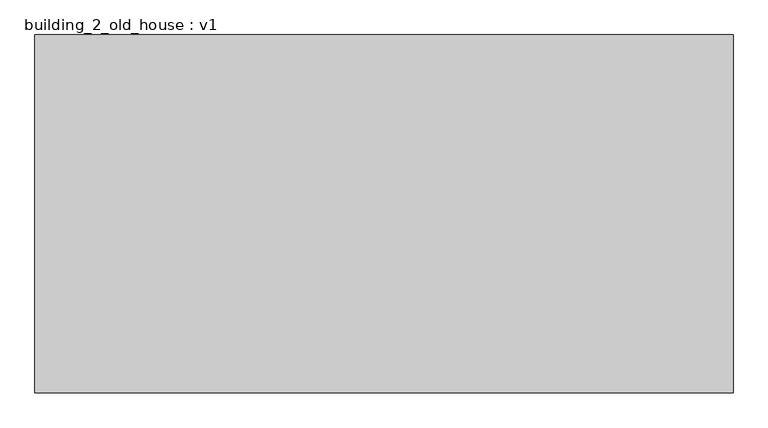
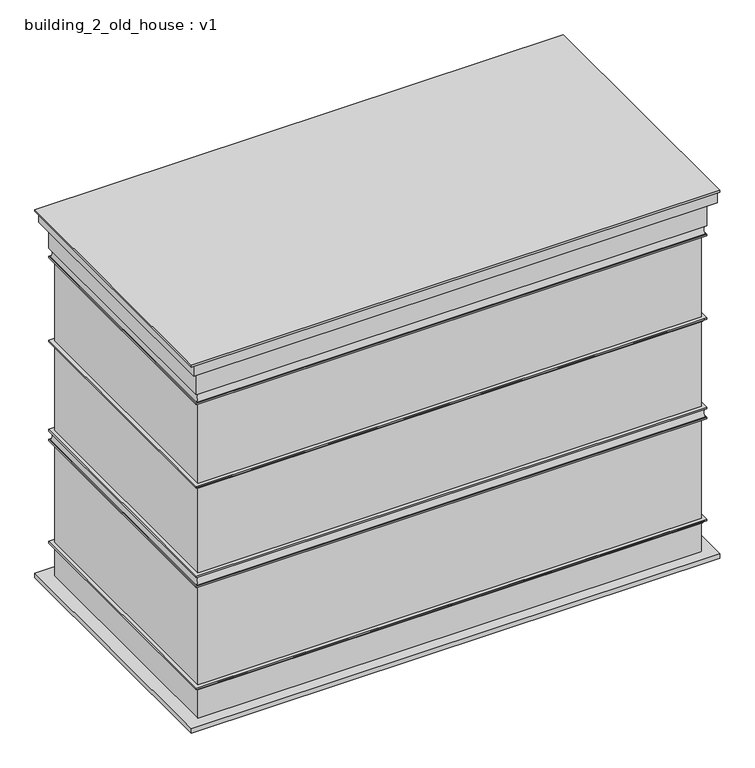
"""IFC4 building model written with IfcOpenShell, lengths in millimetres: proxy geometry, building_2_old_house : v1."""

from ifc_helpers import new_model, si_unit, frame, origin, origin_with_axes, place, context, project, spatial, polyline, ellipse_curve, outline, extrude, source, transform, mapped, element, save
from ifc_brep_helpers import plane_surface, revolved_surface, advanced_brep


def building_2_old_house_v1_a59e40e3(model_context):
    return source(origin(), model_context, "Body", "SolidModel", [
        extrude(outline(polyline([(8185.734127, -4193.7199186), (-8200.0, -4193.7199186), (-8200.0, 4214.0883005), (8185.734127, 4214.0883005), (8185.734127, -4193.7199186)])), frame((0.0, 0.0, 12000.0), z_axis=(0.0, 0.0, 1.0), x_axis=(1.0, 0.0, 0.0)), (0.0, 0.0, 1.0), 51.4146727),
        extrude(outline(polyline([(7800.0, 3850.0), (7800.0, -3850.0), (-7800.0, -3850.0), (-7800.0, 3850.0), (7800.0, 3850.0)])), frame((0.0, 0.0, 136.0058722), z_axis=(0.0, 0.0, 1.0), x_axis=(1.0, 0.0, 0.0)), (0.0, 0.0, 1.0), 11863.9941278),
        advanced_brep(
        [(7800.0, -3850.0, 1097.7785592), (7800.0, -3850.0, 1233.7844314), (7800.0, 3850.0, 1233.7844314), (7800.0, 3850.0, 1097.7785592), (7915.0, -3965.0, 1182.7785592), (7830.0, -3880.0, 1097.7785592), (7830.0, 3880.0, 1097.7785592), (7915.0, 3965.0, 1182.7785592), (7915.0, -3965.0, 1233.7844314), (7915.0, 3965.0, 1233.7844314), (-7800.0, 3850.0, 1233.7844314), (-7800.0, 3850.0, 1097.7785592), (-7830.0, 3880.0, 1097.7785592), (-7915.0, 3965.0, 1182.7785592), (-7915.0, 3965.0, 1233.7844314), (-7800.0, -3850.0, 1233.7844314), (-7800.0, -3850.0, 1097.7785592), (-7830.0, -3880.0, 1097.7785592), (-7915.0, -3965.0, 1182.7785592), (-7915.0, -3965.0, 1233.7844314)],
        [
            (0, 1),
            (1, 2),
            (2, 3),
            (3, 0),
            (4, 5, ellipse_curve(frame((7915.0, -3965.0, 1097.7785592), z_axis=(-0.7071067811865495, -0.7071067811865456, 0.0), x_axis=(-0.7071067811865455, 0.7071067811865495, 0.0)), 120.2081528, 85.0)),
            (5, 6),
            (6, 7, ellipse_curve(frame((7915.0, 3965.0, 1097.7785592), z_axis=(-0.7071067811865456, 0.7071067811865496, 0.0), x_axis=(0.7071067811865497, 0.7071067811865455, 0.0)), 120.2081528, 85.0)),
            (7, 4),
            (8, 4),
            (7, 9),
            (9, 8),
            (2, 10),
            (10, 11),
            (11, 3),
            (6, 12),
            (12, 13, ellipse_curve(frame((-7915.0, 3965.0, 1097.7785592), z_axis=(-0.7071067811865496, -0.7071067811865456, 0.0), x_axis=(-0.7071067811865454, 0.7071067811865497, 0.0)), 120.2081528, 85.0)),
            (13, 7),
            (13, 14),
            (14, 9),
            (10, 15),
            (15, 16),
            (16, 11),
            (12, 17),
            (17, 18, ellipse_curve(frame((-7915.0, -3965.0, 1097.7785592), z_axis=(0.7071067811865455, -0.7071067811865496, 0.0), x_axis=(-0.7071067811865495, -0.7071067811865456, 0.0)), 120.2081528, 85.0)),
            (18, 13),
            (18, 19),
            (19, 14),
            (15, 1),
            (0, 16),
            (5, 17),
            (4, 18),
            (8, 19),
        ],
        [
            plane_surface(frame((7800.0, -3850.0, 1233.7844314), z_axis=(-1.0, 0.0, 0.0), x_axis=(0.0, 1.0, 0.0))),
            revolved_surface(polyline([(7830.0, 4049.9999999987886, 1097.7785592), (7830.0, -4049.999999998789, 1097.7785592)]), (7915.0, -3850.0, 1097.7785592), (0.0, 1.0, 0.0)),
            plane_surface(frame((7915.0, -3965.0, 1182.7785592), z_axis=(1.0, 0.0, 0.0), x_axis=(0.0, 1.0, 0.0))),
            plane_surface(frame((7800.0, 3850.0, 1233.7844314), z_axis=(0.0, -1.0, 0.0), x_axis=(-1.0, 0.0, 0.0))),
            revolved_surface(polyline([(-7999.999999998789, 3880.0, 1097.7785592), (7999.999999998789, 3880.0, 1097.7785592)]), (7800.0, 3965.0, 1097.7785592), (-1.0, 0.0, 0.0)),
            plane_surface(frame((7915.0, 3965.0, 1182.7785592), z_axis=(0.0, 1.0, 0.0), x_axis=(-1.0, 0.0, 0.0))),
            plane_surface(frame((-7800.0, 3850.0, 1233.7844314), z_axis=(1.0, 0.0, 0.0), x_axis=(0.0, -1.0, 0.0))),
            revolved_surface(polyline([(-7830.0, -4049.9999999987886, 1097.7785592), (-7830.0, 4049.999999998789, 1097.7785592)]), (-7915.0, 3850.0, 1097.7785592), (0.0, -1.0, 0.0)),
            plane_surface(frame((-7915.0, 3965.0, 1182.7785592), z_axis=(-1.0, 0.0, 0.0), x_axis=(0.0, -1.0, 0.0))),
            plane_surface(frame((-7800.0, -3850.0, 1233.7844314), z_axis=(0.0, 1.0, 0.0), x_axis=(1.0, 0.0, 0.0))),
            plane_surface(frame((-7800.0, -3850.0, 1097.7785592), z_axis=(0.0, 0.0, -1.0), x_axis=(1.0, 0.0, 0.0))),
            revolved_surface(polyline([(7999.999999998789, -3880.0, 1097.7785592), (-7999.999999998789, -3880.0, 1097.7785592)]), (-7800.0, -3965.0, 1097.7785592), (1.0, 0.0, 0.0)),
            plane_surface(frame((-7915.0, -3965.0, 1182.7785592), z_axis=(0.0, -1.0, 0.0), x_axis=(1.0, 0.0, 0.0))),
            plane_surface(frame((-7915.0, -3965.0, 1233.7844314), z_axis=(0.0, 0.0, 1.0), x_axis=(1.0, 0.0, 0.0))),
        ],
        [
            (0, [[1, 2, 3, 4]]),
            (1, [[5, 6, 7, 8]]),
            (2, [[9, -8, 10, 11]]),
            (3, [[-3, 12, 13, 14]]),
            (4, [[-7, 15, 16, 17]]),
            (5, [[-10, -17, 18, 19]]),
            (6, [[-13, 20, 21, 22]]),
            (7, [[-16, 23, 24, 25]]),
            (8, [[-18, -25, 26, 27]]),
            (9, [[-21, 28, -1, 29]]),
            (10, [[30, -23, -15, -6], [-14, -22, -29, -4]]),
            (11, [[-24, -30, -5, 31]]),
            (12, [[-26, -31, -9, 32]]),
            (13, [[-19, -27, -32, -11], [-28, -20, -12, -2]]),
        ],
    ),
        advanced_brep(
        [(7800.0, -3850.0, 10526.9314508), (7800.0, -3850.0, 12000.0), (7800.0, 3850.0, 12000.0), (7800.0, 3850.0, 10526.9314508), (7915.0, -3965.0, 11650.9255786), (7915.0, -3965.0, 10850.9255786), (7915.0, 3965.0, 10850.9255786), (7915.0, 3965.0, 11650.9255786), (-7800.0, 3850.0, 12000.0), (-7800.0, 3850.0, 10526.9314508), (-7915.0, 3965.0, 10850.9255786), (-7915.0, 3965.0, 11650.9255786), (-7800.0, -3850.0, 12000.0), (-7800.0, -3850.0, 10526.9314508), (-7915.0, -3965.0, 10850.9255786), (-7915.0, -3965.0, 11650.9255786), (7915.0, -3965.0, 10577.937323), (7915.0, -3965.0, 10526.9314508), (7915.0, 3965.0, 10526.9314508), (7915.0, 3965.0, 10577.937323), (7880.0, -3930.0, 10850.9255786), (7880.0, -3930.0, 10577.937323), (7880.0, 3930.0, 10577.937323), (7880.0, 3930.0, 10850.9255786), (-7915.0, 3965.0, 10526.9314508), (-7915.0, 3965.0, 10577.937323), (-7880.0, 3930.0, 10577.937323), (-7880.0, 3930.0, 10850.9255786), (-7915.0, -3965.0, 10526.9314508), (-7915.0, -3965.0, 10577.937323), (-7880.0, -3930.0, 10577.937323), (-7880.0, -3930.0, 10850.9255786), (8115.0, -4165.0, 12000.0), (8115.0, -4165.0, 11650.9255786), (8115.0, 4165.0, 11650.9255786), (8115.0, 4165.0, 12000.0), (-8115.0, 4165.0, 11650.9255786), (-8115.0, 4165.0, 12000.0), (-8115.0, -4165.0, 11650.9255786), (-8115.0, -4165.0, 12000.0)],
        [
            (0, 1),
            (1, 2),
            (2, 3),
            (3, 0),
            (4, 5),
            (5, 6),
            (6, 7),
            (7, 4),
            (2, 8),
            (8, 9),
            (9, 3),
            (6, 10),
            (10, 11),
            (11, 7),
            (8, 12),
            (12, 13),
            (13, 9),
            (10, 14),
            (14, 15),
            (15, 11),
            (12, 1),
            (0, 13),
            (14, 5),
            (4, 15),
            (16, 17),
            (17, 18),
            (18, 19),
            (19, 16),
            (20, 21, ellipse_curve(frame((8159.9397383, -4209.9397383, 10714.4314508), z_axis=(-0.7071067811865495, -0.7071067811865456, 0.0), x_axis=(-0.7071067811865455, 0.7071067811865495, 0.0)), 440.4472818, 311.4432597)),
            (21, 22),
            (22, 23, ellipse_curve(frame((8159.9397383, 4209.9397383, 10714.4314508), z_axis=(-0.7071067811865456, 0.7071067811865496, 0.0), x_axis=(0.7071067811865497, 0.7071067811865455, 0.0)), 440.4472818, 311.4432597)),
            (23, 20),
            (18, 24),
            (24, 25),
            (25, 19),
            (22, 26),
            (26, 27, ellipse_curve(frame((-8159.9397383, 4209.9397383, 10714.4314508), z_axis=(-0.7071067811865496, -0.7071067811865456, 0.0), x_axis=(-0.7071067811865454, 0.7071067811865497, 0.0)), 440.4472818, 311.4432597)),
            (27, 23),
            (24, 28),
            (28, 29),
            (29, 25),
            (26, 30),
            (30, 31, ellipse_curve(frame((-8159.9397383, -4209.9397383, 10714.4314508), z_axis=(0.7071067811865455, -0.7071067811865496, 0.0), x_axis=(-0.7071067811865495, -0.7071067811865456, 0.0)), 440.4472818, 311.4432597)),
            (31, 27),
            (17, 28),
            (16, 29),
            (21, 30),
            (20, 31),
            (32, 33),
            (33, 34),
            (34, 35),
            (35, 32),
            (34, 36),
            (36, 37),
            (37, 35),
            (36, 38),
            (38, 39),
            (39, 37),
            (33, 38),
            (32, 39),
        ],
        [
            plane_surface(frame((7800.0, -3850.0, 12000.0), z_axis=(-1.0, 0.0, 0.0), x_axis=(0.0, 1.0, 0.0))),
            plane_surface(frame((7915.0, -3965.0, 10850.9255786), z_axis=(1.0, 0.0, 0.0), x_axis=(0.0, 1.0, 0.0))),
            plane_surface(frame((7800.0, 3850.0, 12000.0), z_axis=(0.0, -1.0, 0.0), x_axis=(-1.0, 0.0, 0.0))),
            plane_surface(frame((7915.0, 3965.0, 10850.9255786), z_axis=(0.0, 1.0, 0.0), x_axis=(-1.0, 0.0, 0.0))),
            plane_surface(frame((-7800.0, 3850.0, 12000.0), z_axis=(1.0, 0.0, 0.0), x_axis=(0.0, -1.0, 0.0))),
            plane_surface(frame((-7915.0, 3965.0, 10850.9255786), z_axis=(-1.0, 0.0, 0.0), x_axis=(0.0, -1.0, 0.0))),
            plane_surface(frame((-7800.0, -3850.0, 12000.0), z_axis=(0.0, 1.0, 0.0), x_axis=(1.0, 0.0, 0.0))),
            plane_surface(frame((-7915.0, -3965.0, 10850.9255786), z_axis=(0.0, -1.0, 0.0), x_axis=(1.0, 0.0, 0.0))),
            plane_surface(frame((7915.0, -3965.0, 10526.9314508), z_axis=(1.0, 0.0, 0.0), x_axis=(0.0, 1.0, 0.0))),
            revolved_surface(polyline([(7848.4964786, 4521.382998015961, 10714.4314508), (7848.4964786, -4521.382998015963, 10714.4314508)]), (8159.9397383, -3850.0, 10714.4314508), (0.0, 1.0, 0.0)),
            plane_surface(frame((7915.0, 3965.0, 10526.9314508), z_axis=(0.0, 1.0, 0.0), x_axis=(-1.0, 0.0, 0.0))),
            revolved_surface(polyline([(-8471.38299801596, 3898.4964785999996, 10714.4314508), (8471.382998015963, 3898.4964785999996, 10714.4314508)]), (7800.0, 4209.9397383, 10714.4314508), (-1.0, 0.0, 0.0)),
            plane_surface(frame((-7915.0, 3965.0, 10526.9314508), z_axis=(-1.0, 0.0, 0.0), x_axis=(0.0, -1.0, 0.0))),
            revolved_surface(polyline([(-7848.4964786, -4521.382998015961, 10714.4314508), (-7848.4964786, 4521.382998015963, 10714.4314508)]), (-8159.9397383, 3850.0, 10714.4314508), (0.0, -1.0, 0.0)),
            plane_surface(frame((-7800.0, -3850.0, 10526.9314508), z_axis=(0.0, 0.0, -1.0), x_axis=(1.0, 0.0, 0.0))),
            plane_surface(frame((-7915.0, -3965.0, 10526.9314508), z_axis=(0.0, -1.0, 0.0), x_axis=(1.0, 0.0, 0.0))),
            plane_surface(frame((-7915.0, -3965.0, 10577.937323), z_axis=(0.0, 0.0, 1.0), x_axis=(1.0, 0.0, 0.0))),
            revolved_surface(polyline([(8471.38299801596, -3898.4964785999996, 10714.4314508), (-8471.382998015963, -3898.4964785999996, 10714.4314508)]), (-7800.0, -4209.9397383, 10714.4314508), (1.0, 0.0, 0.0)),
            plane_surface(frame((-7880.0, -3930.0, 10850.9255786), z_axis=(0.0, 0.0, -1.0), x_axis=(1.0, 0.0, 0.0))),
            plane_surface(frame((8115.0, -4165.0, 11650.9255786), z_axis=(1.0, 0.0, 0.0), x_axis=(0.0, 1.0, 0.0))),
            plane_surface(frame((8115.0, 4165.0, 11650.9255786), z_axis=(0.0, 1.0, 0.0), x_axis=(-1.0, 0.0, 0.0))),
            plane_surface(frame((-8115.0, 4165.0, 11650.9255786), z_axis=(-1.0, 0.0, 0.0), x_axis=(0.0, -1.0, 0.0))),
            plane_surface(frame((-7915.0, -3965.0, 11650.9255786), z_axis=(0.0, 0.0, -1.0), x_axis=(1.0, 0.0, 0.0))),
            plane_surface(frame((-8115.0, -4165.0, 11650.9255786), z_axis=(0.0, -1.0, 0.0), x_axis=(1.0, 0.0, 0.0))),
            plane_surface(frame((-8115.0, -4165.0, 12000.0), z_axis=(0.0, 0.0, 1.0), x_axis=(1.0, 0.0, 0.0))),
        ],
        [
            (0, [[1, 2, 3, 4]]),
            (1, [[5, 6, 7, 8]]),
            (2, [[-3, 9, 10, 11]]),
            (3, [[-7, 12, 13, 14]]),
            (4, [[-10, 15, 16, 17]]),
            (5, [[-13, 18, 19, 20]]),
            (6, [[-16, 21, -1, 22]]),
            (7, [[-19, 23, -5, 24]]),
            (8, [[25, 26, 27, 28]]),
            (9, [[29, 30, 31, 32]]),
            (10, [[-27, 33, 34, 35]]),
            (11, [[-31, 36, 37, 38]]),
            (12, [[-34, 39, 40, 41]]),
            (13, [[-37, 42, 43, 44]]),
            (14, [[45, -39, -33, -26], [-11, -17, -22, -4]]),
            (15, [[-40, -45, -25, 46]]),
            (16, [[-35, -41, -46, -28], [47, -42, -36, -30]]),
            (17, [[-43, -47, -29, 48]]),
            (18, [[-23, -18, -12, -6], [-38, -44, -48, -32]]),
            (19, [[49, 50, 51, 52]]),
            (20, [[-51, 53, 54, 55]]),
            (21, [[-54, 56, 57, 58]]),
            (22, [[59, -56, -53, -50], [-14, -20, -24, -8]]),
            (23, [[-57, -59, -49, 60]]),
            (24, [[-55, -58, -60, -52], [-21, -15, -9, -2]]),
        ],
    ),
        advanced_brep(
        [(7800.0, -3850.0, 4529.7875564), (7800.0, -3850.0, 4904.7875564), (7800.0, 3850.0, 4904.7875564), (7800.0, 3850.0, 4529.7875564), (7915.0, -3965.0, 4904.7875564), (7915.0, -3965.0, 4853.7816842), (7915.0, 3965.0, 4853.7816842), (7915.0, 3965.0, 4904.7875564), (-7800.0, 3850.0, 4904.7875564), (-7800.0, 3850.0, 4529.7875564), (-7915.0, 3965.0, 4853.7816842), (-7915.0, 3965.0, 4904.7875564), (-7800.0, -3850.0, 4904.7875564), (-7800.0, -3850.0, 4529.7875564), (-7915.0, -3965.0, 4853.7816842), (-7915.0, -3965.0, 4904.7875564), (7915.0, -3965.0, 4580.7934286), (7915.0, -3965.0, 4529.7875564), (7915.0, 3965.0, 4529.7875564), (7915.0, 3965.0, 4580.7934286), (7880.0, -3930.0, 4853.7816842), (7880.0, -3930.0, 4580.7934286), (7880.0, 3930.0, 4580.7934286), (7880.0, 3930.0, 4853.7816842), (-7915.0, 3965.0, 4529.7875564), (-7915.0, 3965.0, 4580.7934286), (-7880.0, 3930.0, 4580.7934286), (-7880.0, 3930.0, 4853.7816842), (-7915.0, -3965.0, 4529.7875564), (-7915.0, -3965.0, 4580.7934286), (-7880.0, -3930.0, 4580.7934286), (-7880.0, -3930.0, 4853.7816842)],
        [
            (0, 1),
            (1, 2),
            (2, 3),
            (3, 0),
            (4, 5),
            (5, 6),
            (6, 7),
            (7, 4),
            (2, 8),
            (8, 9),
            (9, 3),
            (6, 10),
            (10, 11),
            (11, 7),
            (8, 12),
            (12, 13),
            (13, 9),
            (10, 14),
            (14, 15),
            (15, 11),
            (12, 1),
            (0, 13),
            (14, 5),
            (4, 15),
            (16, 17),
            (17, 18),
            (18, 19),
            (19, 16),
            (20, 21, ellipse_curve(frame((8159.9397383, -4209.9397383, 4717.2875564), z_axis=(-0.7071067811865495, -0.7071067811865456, 0.0), x_axis=(-0.7071067811865455, 0.7071067811865495, 0.0)), 440.4472818, 311.4432597)),
            (21, 22),
            (22, 23, ellipse_curve(frame((8159.9397383, 4209.9397383, 4717.2875564), z_axis=(-0.7071067811865456, 0.7071067811865496, 0.0), x_axis=(0.7071067811865497, 0.7071067811865455, 0.0)), 440.4472818, 311.4432597)),
            (23, 20),
            (18, 24),
            (24, 25),
            (25, 19),
            (22, 26),
            (26, 27, ellipse_curve(frame((-8159.9397383, 4209.9397383, 4717.2875564), z_axis=(-0.7071067811865496, -0.7071067811865456, 0.0), x_axis=(-0.7071067811865454, 0.7071067811865497, 0.0)), 440.4472818, 311.4432597)),
            (27, 23),
            (24, 28),
            (28, 29),
            (29, 25),
            (26, 30),
            (30, 31, ellipse_curve(frame((-8159.9397383, -4209.9397383, 4717.2875564), z_axis=(0.7071067811865455, -0.7071067811865496, 0.0), x_axis=(-0.7071067811865495, -0.7071067811865456, 0.0)), 440.4472818, 311.4432597)),
            (31, 27),
            (17, 28),
            (16, 29),
            (21, 30),
            (20, 31),
        ],
        [
            plane_surface(frame((7800.0, -3850.0, 4904.7875564), z_axis=(-1.0, 0.0, 0.0), x_axis=(0.0, 1.0, 0.0))),
            plane_surface(frame((7915.0, -3965.0, 4853.7816842), z_axis=(1.0, 0.0, 0.0), x_axis=(0.0, 1.0, 0.0))),
            plane_surface(frame((7800.0, 3850.0, 4904.7875564), z_axis=(0.0, -1.0, 0.0), x_axis=(-1.0, 0.0, 0.0))),
            plane_surface(frame((7915.0, 3965.0, 4853.7816842), z_axis=(0.0, 1.0, 0.0), x_axis=(-1.0, 0.0, 0.0))),
            plane_surface(frame((-7800.0, 3850.0, 4904.7875564), z_axis=(1.0, 0.0, 0.0), x_axis=(0.0, -1.0, 0.0))),
            plane_surface(frame((-7915.0, 3965.0, 4853.7816842), z_axis=(-1.0, 0.0, 0.0), x_axis=(0.0, -1.0, 0.0))),
            plane_surface(frame((-7800.0, -3850.0, 4904.7875564), z_axis=(0.0, 1.0, 0.0), x_axis=(1.0, 0.0, 0.0))),
            plane_surface(frame((-7915.0, -3965.0, 4853.7816842), z_axis=(0.0, -1.0, 0.0), x_axis=(1.0, 0.0, 0.0))),
            plane_surface(frame((-7915.0, -3965.0, 4904.7875564), z_axis=(0.0, 0.0, 1.0), x_axis=(1.0, 0.0, 0.0))),
            plane_surface(frame((7915.0, -3965.0, 4529.7875564), z_axis=(1.0, 0.0, 0.0), x_axis=(0.0, 1.0, 0.0))),
            revolved_surface(polyline([(7848.4964786, 4521.382998015961, 4717.2875564), (7848.4964786, -4521.382998015963, 4717.2875564)]), (8159.9397383, -3850.0, 4717.2875564), (0.0, 1.0, 0.0)),
            plane_surface(frame((7915.0, 3965.0, 4529.7875564), z_axis=(0.0, 1.0, 0.0), x_axis=(-1.0, 0.0, 0.0))),
            revolved_surface(polyline([(-8471.38299801596, 3898.4964785999996, 4717.2875564), (8471.382998015963, 3898.4964785999996, 4717.2875564)]), (7800.0, 4209.9397383, 4717.2875564), (-1.0, 0.0, 0.0)),
            plane_surface(frame((-7915.0, 3965.0, 4529.7875564), z_axis=(-1.0, 0.0, 0.0), x_axis=(0.0, -1.0, 0.0))),
            revolved_surface(polyline([(-7848.4964786, -4521.382998015961, 4717.2875564), (-7848.4964786, 4521.382998015963, 4717.2875564)]), (-8159.9397383, 3850.0, 4717.2875564), (0.0, -1.0, 0.0)),
            plane_surface(frame((-7800.0, -3850.0, 4529.7875564), z_axis=(0.0, 0.0, -1.0), x_axis=(1.0, 0.0, 0.0))),
            plane_surface(frame((-7915.0, -3965.0, 4529.7875564), z_axis=(0.0, -1.0, 0.0), x_axis=(1.0, 0.0, 0.0))),
            plane_surface(frame((-7915.0, -3965.0, 4580.7934286), z_axis=(0.0, 0.0, 1.0), x_axis=(1.0, 0.0, 0.0))),
            revolved_surface(polyline([(8471.38299801596, -3898.4964785999996, 4717.2875564), (-8471.382998015963, -3898.4964785999996, 4717.2875564)]), (-7800.0, -4209.9397383, 4717.2875564), (1.0, 0.0, 0.0)),
            plane_surface(frame((-7880.0, -3930.0, 4853.7816842), z_axis=(0.0, 0.0, -1.0), x_axis=(1.0, 0.0, 0.0))),
        ],
        [
            (0, [[1, 2, 3, 4]]),
            (1, [[5, 6, 7, 8]]),
            (2, [[-3, 9, 10, 11]]),
            (3, [[-7, 12, 13, 14]]),
            (4, [[-10, 15, 16, 17]]),
            (5, [[-13, 18, 19, 20]]),
            (6, [[-16, 21, -1, 22]]),
            (7, [[-19, 23, -5, 24]]),
            (8, [[-14, -20, -24, -8], [-21, -15, -9, -2]]),
            (9, [[25, 26, 27, 28]]),
            (10, [[29, 30, 31, 32]]),
            (11, [[-27, 33, 34, 35]]),
            (12, [[-31, 36, 37, 38]]),
            (13, [[-34, 39, 40, 41]]),
            (14, [[-37, 42, 43, 44]]),
            (15, [[45, -39, -33, -26], [-11, -17, -22, -4]]),
            (16, [[-40, -45, -25, 46]]),
            (17, [[-35, -41, -46, -28], [47, -42, -36, -30]]),
            (18, [[-43, -47, -29, 48]]),
            (19, [[-23, -18, -12, -6], [-38, -44, -48, -32]]),
        ],
    ),
        advanced_brep(
        [(7800.0, -3850.0, 7700.0), (7800.0, -3850.0, 7836.0058722), (7800.0, 3850.0, 7836.0058722), (7800.0, 3850.0, 7700.0), (7915.0, -3965.0, 7785.0), (7830.0, -3880.0, 7700.0), (7830.0, 3880.0, 7700.0), (7915.0, 3965.0, 7785.0), (7915.0, -3965.0, 7836.0058722), (7915.0, 3965.0, 7836.0058722), (-7800.0, 3850.0, 7836.0058722), (-7800.0, 3850.0, 7700.0), (-7830.0, 3880.0, 7700.0), (-7915.0, 3965.0, 7785.0), (-7915.0, 3965.0, 7836.0058722), (-7800.0, -3850.0, 7836.0058722), (-7800.0, -3850.0, 7700.0), (-7830.0, -3880.0, 7700.0), (-7915.0, -3965.0, 7785.0), (-7915.0, -3965.0, 7836.0058722)],
        [
            (0, 1),
            (1, 2),
            (2, 3),
            (3, 0),
            (4, 5, ellipse_curve(frame((7915.0, -3965.0, 7700.0), z_axis=(-0.7071067811865495, -0.7071067811865456, 0.0), x_axis=(-0.7071067811865455, 0.7071067811865495, 0.0)), 120.2081528, 85.0)),
            (5, 6),
            (6, 7, ellipse_curve(frame((7915.0, 3965.0, 7700.0), z_axis=(-0.7071067811865456, 0.7071067811865496, 0.0), x_axis=(0.7071067811865497, 0.7071067811865455, 0.0)), 120.2081528, 85.0)),
            (7, 4),
            (8, 4),
            (7, 9),
            (9, 8),
            (2, 10),
            (10, 11),
            (11, 3),
            (6, 12),
            (12, 13, ellipse_curve(frame((-7915.0, 3965.0, 7700.0), z_axis=(-0.7071067811865496, -0.7071067811865456, 0.0), x_axis=(-0.7071067811865454, 0.7071067811865497, 0.0)), 120.2081528, 85.0)),
            (13, 7),
            (13, 14),
            (14, 9),
            (10, 15),
            (15, 16),
            (16, 11),
            (12, 17),
            (17, 18, ellipse_curve(frame((-7915.0, -3965.0, 7700.0), z_axis=(0.7071067811865455, -0.7071067811865496, 0.0), x_axis=(-0.7071067811865495, -0.7071067811865456, 0.0)), 120.2081528, 85.0)),
            (18, 13),
            (18, 19),
            (19, 14),
            (15, 1),
            (0, 16),
            (5, 17),
            (4, 18),
            (8, 19),
        ],
        [
            plane_surface(frame((7800.0, -3850.0, 7836.0058722), z_axis=(-1.0, 0.0, 0.0), x_axis=(0.0, 1.0, 0.0))),
            revolved_surface(polyline([(7830.0, 4049.9999999987886, 7700.0), (7830.0, -4049.999999998789, 7700.0)]), (7915.0, -3850.0, 7700.0), (0.0, 1.0, 0.0)),
            plane_surface(frame((7915.0, -3965.0, 7785.0), z_axis=(1.0, 0.0, 0.0), x_axis=(0.0, 1.0, 0.0))),
            plane_surface(frame((7800.0, 3850.0, 7836.0058722), z_axis=(0.0, -1.0, 0.0), x_axis=(-1.0, 0.0, 0.0))),
            revolved_surface(polyline([(-7999.999999998789, 3880.0, 7700.0), (7999.999999998789, 3880.0, 7700.0)]), (7800.0, 3965.0, 7700.0), (-1.0, 0.0, 0.0)),
            plane_surface(frame((7915.0, 3965.0, 7785.0), z_axis=(0.0, 1.0, 0.0), x_axis=(-1.0, 0.0, 0.0))),
            plane_surface(frame((-7800.0, 3850.0, 7836.0058722), z_axis=(1.0, 0.0, 0.0), x_axis=(0.0, -1.0, 0.0))),
            revolved_surface(polyline([(-7830.0, -4049.9999999987886, 7700.0), (-7830.0, 4049.999999998789, 7700.0)]), (-7915.0, 3850.0, 7700.0), (0.0, -1.0, 0.0)),
            plane_surface(frame((-7915.0, 3965.0, 7785.0), z_axis=(-1.0, 0.0, 0.0), x_axis=(0.0, -1.0, 0.0))),
            plane_surface(frame((-7800.0, -3850.0, 7836.0058722), z_axis=(0.0, 1.0, 0.0), x_axis=(1.0, 0.0, 0.0))),
            plane_surface(frame((-7800.0, -3850.0, 7700.0), z_axis=(0.0, 0.0, -1.0), x_axis=(1.0, 0.0, 0.0))),
            revolved_surface(polyline([(7999.999999998789, -3880.0, 7700.0), (-7999.999999998789, -3880.0, 7700.0)]), (-7800.0, -3965.0, 7700.0), (1.0, 0.0, 0.0)),
            plane_surface(frame((-7915.0, -3965.0, 7785.0), z_axis=(0.0, -1.0, 0.0), x_axis=(1.0, 0.0, 0.0))),
            plane_surface(frame((-7915.0, -3965.0, 7836.0058722), z_axis=(0.0, 0.0, 1.0), x_axis=(1.0, 0.0, 0.0))),
        ],
        [
            (0, [[1, 2, 3, 4]]),
            (1, [[5, 6, 7, 8]]),
            (2, [[9, -8, 10, 11]]),
            (3, [[-3, 12, 13, 14]]),
            (4, [[-7, 15, 16, 17]]),
            (5, [[-10, -17, 18, 19]]),
            (6, [[-13, 20, 21, 22]]),
            (7, [[-16, 23, 24, 25]]),
            (8, [[-18, -25, 26, 27]]),
            (9, [[-21, 28, -1, 29]]),
            (10, [[30, -23, -15, -6], [-14, -22, -29, -4]]),
            (11, [[-24, -30, -5, 31]]),
            (12, [[-26, -31, -9, 32]]),
            (13, [[-19, -27, -32, -11], [-28, -20, -12, -2]]),
        ],
    ),
        extrude(outline(polyline([(8185.734127, -4193.7199186), (-8200.0, -4193.7199186), (-8200.0, 4214.0883005), (8185.734127, 4214.0883005), (8185.734127, -4193.7199186)])), origin_with_axes(), (0.0, 0.0, 1.0), 136.0058722),
    ])


if __name__ == "__main__":
    model = new_model("IFC4")
    model_context = context("Model", 3, world=origin())
    ifc_project = project(units=[si_unit("LENGTHUNIT", "METRE", prefix="MILLI")], contexts=[model_context])
    site = spatial("IfcSite", under=ifc_project)
    building = spatial("IfcBuilding", under=site)
    placement = place(None, origin())
    building_2_old_house_v1_shape = building_2_old_house_v1_a59e40e3(model_context)
    element("IfcBuildingElementProxy", 1, Name="building_2_old_house : v1", ObjectType="building_2_old_house : v1", at=placement, inside=building, context=model_context, shape_type="MappedRepresentation", body=[
        mapped(building_2_old_house_v1_shape, transform((0.0, 0.0, 0.0), x_axis=(1.0, 0.0, 0.0), y_axis=(0.0, 1.0, 0.0), z_axis=(0.0, 0.0, 1.0))),
    ])
    save(model, "model.ifc")
